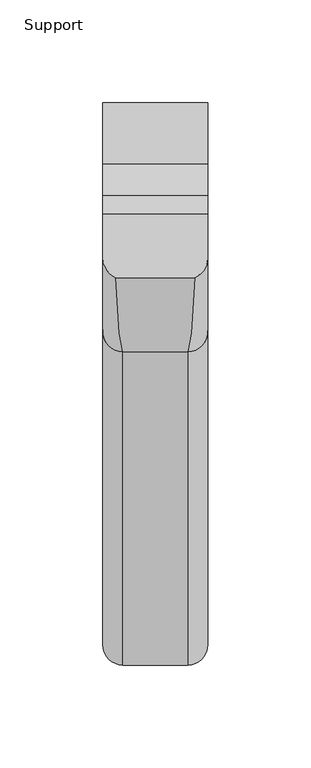
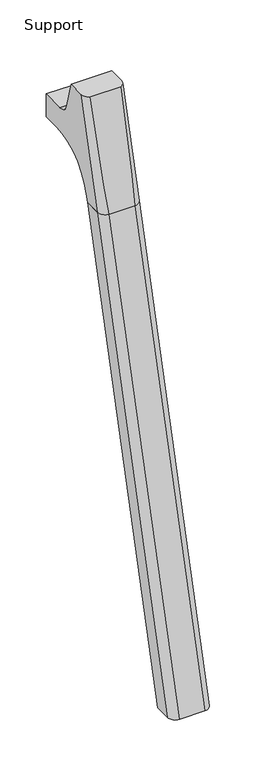
"""IFC4 building model written with IfcOpenShell, lengths in millimetres: furniture geometry, Support."""

from ifc_helpers import new_model, si_unit, frame, origin, place, context, project, spatial, polyline, circle_curve, ellipse_curve, source, transform, mapped, element, save
from ifc_brep_helpers import plane_surface, cylinder_surface, revolved_surface, advanced_brep


def support_4f9f45b8(model_context):
    return source(origin(), model_context, "Body", "AdvancedBrep", [
        advanced_brep(
        [(190.5, -253.7748053, 711.2), (190.5, -244.7167045, 677.3947076), (190.5, -229.382632, 665.6284599), (190.5, -199.7534766, 665.6284599), (190.5, -199.7534766, 635.6476591), (190.5, -222.6247088, 635.6476591), (190.5, -287.0278133, 586.2294189), (190.5, -289.5860254, 576.6820411), (190.5, -310.6899953, 576.6820411), (190.5, -275.2413517, 711.2), (241.3, -289.5860254, 576.6820411), (241.3, -287.0278133, 586.2294189), (241.3, -222.6247088, 635.6476591), (241.3, -199.7534766, 635.6476591), (241.3, -199.7534766, 665.6284599), (241.3, -229.382632, 665.6284599), (241.3, -244.7167045, 677.3947076), (241.3, -253.7748053, 711.2), (241.3, -275.2413517, 711.2), (241.3, -310.6899953, 576.6820411), (196.7638162, -284.4961962, 711.2), (235.0361838, -284.4961962, 711.2), (231.775, -320.5401747, 576.6820411), (200.025, -320.5401747, 576.6820411)],
        [
            (0, 1),
            (1, 2, circle_curve(frame((190.5, -229.382632, 681.5034599), z_axis=(1.0, 0.0, 0.0), x_axis=(0.0, -1.0, 0.0)), 15.875)),
            (2, 3),
            (3, 4),
            (4, 5),
            (5, 6, circle_curve(frame((190.5, -222.6247088, 568.9726591), z_axis=(1.0, 0.0, 0.0), x_axis=(0.0, -1.0, 0.0)), 66.675)),
            (6, 7),
            (7, 8),
            (8, 9),
            (9, 0),
            (10, 11),
            (11, 12, circle_curve(frame((241.3, -222.6247088, 568.9726591), z_axis=(-1.0, 0.0, 0.0), x_axis=(0.0, -1.0, 0.0)), 66.675)),
            (12, 13),
            (13, 14),
            (14, 15),
            (15, 16, circle_curve(frame((241.3, -229.382632, 681.5034599), z_axis=(-1.0, 0.0, 0.0), x_axis=(0.0, -1.0, 0.0)), 15.875)),
            (16, 17),
            (17, 18),
            (18, 19),
            (19, 10),
            (17, 0),
            (9, 20, ellipse_curve(frame((200.025, -275.2413517, 711.2), z_axis=(0.0, 0.0, 1.0), x_axis=(0.0, -1.0, 0.0)), 9.8501793, 9.525)),
            (20, 21),
            (21, 18, ellipse_curve(frame((231.775, -275.2413517, 711.2), z_axis=(0.0, 0.0, 1.0), x_axis=(0.0, -1.0, 0.0)), 9.8501793, 9.525)),
            (16, 1),
            (15, 2),
            (14, 3),
            (13, 4),
            (12, 5),
            (11, 6),
            (10, 7),
            (19, 22, ellipse_curve(frame((231.775, -310.6899953, 576.6820411), z_axis=(0.0, 0.0, -1.0), x_axis=(0.0, -1.0, 0.0)), 9.8501793, 9.525)),
            (22, 23),
            (23, 8, ellipse_curve(frame((200.025, -310.6899953, 576.6820411), z_axis=(0.0, 0.0, -1.0), x_axis=(0.0, -1.0, 0.0)), 9.8501793, 9.525)),
            (20, 23, ellipse_curve(frame((200.025, 275.8295394, 2802.3641142), z_axis=(0.0, -0.9659258262890684, 0.2588190451025206), x_axis=(0.0, -0.2588190451025206, -0.9659258262890684)), 2304.1956354, 9.525)),
            (22, 21, ellipse_curve(frame((231.775, 275.8295394, 2802.3641142), z_axis=(0.0, -0.9659258262890684, 0.2588190451025206), x_axis=(0.0, -0.2588190451025206, -0.9659258262890684)), 2304.1956354, 9.525)),
        ],
        [
            plane_surface(frame((190.5, -284.4961962, 711.2), z_axis=(-1.0, 0.0, 0.0), x_axis=(0.0, 1.0, 0.0))),
            plane_surface(frame((241.3, -284.4961962, 711.2), z_axis=(1.0, 0.0, 0.0), x_axis=(0.0, -1.0, 0.0))),
            plane_surface(frame((190.5, -284.4961962, 711.2), z_axis=(0.0, 0.0, 1.0), x_axis=(1.0, 0.0, 0.0))),
            plane_surface(frame((190.5, -253.7748053, 711.2), z_axis=(0.0, 0.9659258262890683, 0.2588190451025207), x_axis=(1.0, 0.0, 0.0))),
            revolved_surface(polyline([(241.3, -245.257632, 681.5034599), (190.5, -245.257632, 681.5034599)]), (241.3, -229.382632, 681.5034599), (1.0, 0.0, 0.0)),
            plane_surface(frame((190.5, -229.382632, 665.6284599), z_axis=(0.0, 0.0, 1.0), x_axis=(1.0, 0.0, 0.0))),
            plane_surface(frame((190.5, -199.7534766, 665.6284599), z_axis=(0.0, 1.0, 0.0), x_axis=(1.0, 0.0, 0.0))),
            plane_surface(frame((190.5, -199.7534766, 635.6476591), z_axis=(0.0, 0.0, -1.0), x_axis=(1.0, 0.0, 0.0))),
            revolved_surface(polyline([(241.3, -289.2997088, 568.9726591), (190.5, -289.2997088, 568.9726591)]), (241.3, -222.6247088, 568.9726591), (1.0, 0.0, 0.0)),
            plane_surface(frame((190.5, -287.0278133, 586.2294189), z_axis=(0.0, 0.9659258262890693, -0.25881904510251696), x_axis=(1.0, 0.0, 0.0))),
            plane_surface(frame((190.5, -289.5860254, 576.6820411), z_axis=(0.0, 0.0, -1.0), x_axis=(1.0, 0.0, 0.0))),
            plane_surface(frame((190.5, -320.5401747, 576.6820411), z_axis=(0.0, -0.9659258262890684, 0.2588190451025206), x_axis=(1.0, 0.0, 0.0))),
            cylinder_surface(frame((200.025, -463.2988902, -2.4271979), z_axis=(0.0, -0.25482392474081483, -0.966987470125486), x_axis=(1.0, 0.0, 0.0)), 9.525),
            cylinder_surface(frame((231.775, -463.2988902, -2.4271979), z_axis=(0.0, -0.25482392474081483, -0.966987470125486), x_axis=(1.0, 0.0, 0.0)), 9.525),
        ],
        [
            (0, [[1, 2, 3, 4, 5, 6, 7, 8, 9, 10]]),
            (1, [[11, 12, 13, 14, 15, 16, 17, 18, 19, 20]]),
            (2, [[21, -10, 22, 23, 24, -18]]),
            (3, [[-1, -21, -17, 25]]),
            (4, [[-2, -25, -16, 26]]),
            (5, [[-3, -26, -15, 27]]),
            (6, [[-4, -27, -14, 28]]),
            (7, [[-5, -28, -13, 29]]),
            (8, [[-6, -29, -12, 30]]),
            (9, [[-7, -30, -11, 31]]),
            (10, [[-31, -20, 32, 33, 34, -8]]),
            (11, [[-23, 35, -33, 36]]),
            (12, [[-9, -34, -35, -22]]),
            (13, [[-19, -24, -36, -32]]),
        ],
    ),
        advanced_brep(
        [(190.5, -289.5860254, 576.6820411), (190.5, -441.5552966, 0.0), (190.5, -462.6592665, 0.0), (190.5, -310.6899953, 576.6820411), (241.3, -441.5552966, 0.0), (241.3, -289.5860254, 576.6820411), (241.3, -310.6899953, 576.6820411), (241.3, -462.6592665, 0.0), (200.025, -320.5401747, 576.6820411), (231.775, -320.5401747, 576.6820411), (231.775, -472.5094458, 0.0), (200.025, -472.5094458, 0.0)],
        [
            (0, 1),
            (1, 2),
            (2, 3),
            (3, 0),
            (4, 5),
            (5, 6),
            (6, 7),
            (7, 4),
            (5, 0),
            (3, 8, ellipse_curve(frame((200.025, -310.6899953, 576.6820411), z_axis=(0.0, 0.0, 1.0), x_axis=(0.0, -1.0, 0.0)), 9.8501793, 9.525)),
            (8, 9),
            (9, 6, ellipse_curve(frame((231.775, -310.6899953, 576.6820411), z_axis=(0.0, 0.0, 1.0), x_axis=(0.0, -1.0, 0.0)), 9.8501793, 9.525)),
            (4, 1),
            (7, 10, ellipse_curve(frame((231.775, -462.6592665, 0.0), z_axis=(0.0, 0.0, -1.0), x_axis=(0.0, -1.0, 0.0)), 9.8501793, 9.525)),
            (10, 11),
            (11, 2, ellipse_curve(frame((200.025, -462.6592665, 0.0), z_axis=(0.0, 0.0, -1.0), x_axis=(0.0, -1.0, 0.0)), 9.8501793, 9.525)),
            (8, 11),
            (10, 9),
        ],
        [
            plane_surface(frame((190.5, -320.5401747, 576.6820411), z_axis=(-1.0, 0.0, 0.0), x_axis=(0.0, 1.0, 0.0))),
            plane_surface(frame((241.3, -320.5401747, 576.6820411), z_axis=(1.0, 0.0, 0.0), x_axis=(0.0, -1.0, 0.0))),
            plane_surface(frame((190.5, -320.5401747, 576.6820411), z_axis=(0.0, 0.0, 1.0), x_axis=(1.0, 0.0, 0.0))),
            plane_surface(frame((190.5, -289.5860254, 576.6820411), z_axis=(0.0, 0.9669874701254844, -0.2548239247408208), x_axis=(1.0, 0.0, 0.0))),
            plane_surface(frame((190.5, -441.5552966, 0.0), z_axis=(0.0, 0.0, -1.0), x_axis=(1.0, 0.0, 0.0))),
            plane_surface(frame((190.5, -472.5094458, 0.0), z_axis=(0.0, -0.9669874701254855, 0.2548239247408166), x_axis=(1.0, 0.0, 0.0))),
            cylinder_surface(frame((200.025, -463.2988902, -2.4271979), z_axis=(0.0, -0.25482392474081483, -0.966987470125486), x_axis=(1.0, 0.0, 0.0)), 9.525),
            cylinder_surface(frame((231.775, -463.2988902, -2.4271979), z_axis=(0.0, -0.25482392474081483, -0.966987470125486), x_axis=(1.0, 0.0, 0.0)), 9.525),
        ],
        [
            (0, [[1, 2, 3, 4]]),
            (1, [[5, 6, 7, 8]]),
            (2, [[9, -4, 10, 11, 12, -6]]),
            (3, [[-1, -9, -5, 13]]),
            (4, [[-13, -8, 14, 15, 16, -2]]),
            (5, [[-11, 17, -15, 18]]),
            (6, [[-3, -16, -17, -10]]),
            (7, [[-7, -12, -18, -14]]),
        ],
    ),
    ])


if __name__ == "__main__":
    model = new_model("IFC4")
    model_context = context("Model", 3, world=origin())
    ifc_project = project(units=[si_unit("LENGTHUNIT", "METRE", prefix="MILLI")], contexts=[model_context])
    site = spatial("IfcSite", under=ifc_project)
    building = spatial("IfcBuilding", under=site)
    placement = place(None, origin())
    support_shape = support_4f9f45b8(model_context)
    element("IfcFurniture", 1, ObjectType="Support", at=placement, inside=building, context=model_context, shape_type="MappedRepresentation", body=[
        mapped(support_shape, transform((0.0, 0.0, 0.0), x_axis=(1.0, 0.0, 0.0), y_axis=(0.0, 1.0, 0.0), z_axis=(0.0, 0.0, 1.0))),
    ])
    save(model, "model.ifc")
